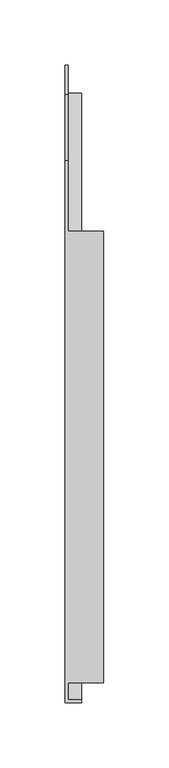
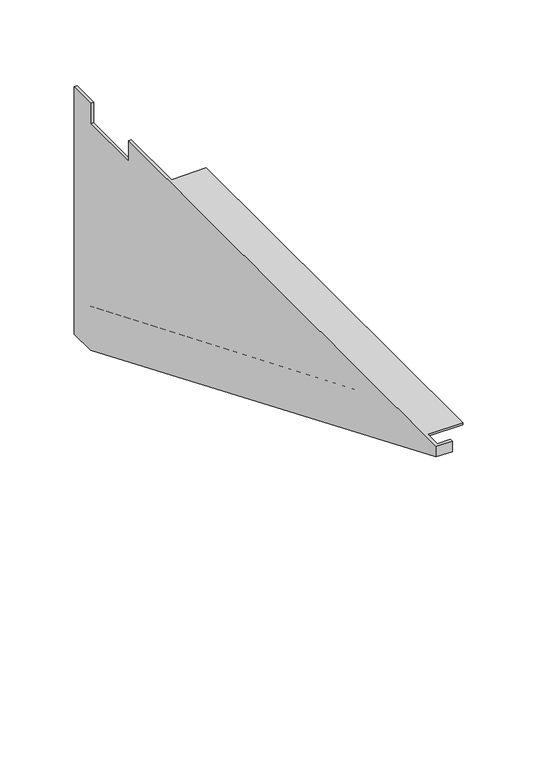
"""IFC4 building model written with IfcOpenShell, lengths in millimetres: furniture geometry."""

from ifc_helpers import new_model, si_unit, origin, place, context, project, spatial, faceted_brep, source, transform, mapped, element, save


def furniture_b63916a6(model_context):
    return source(origin(), model_context, "Body", "Brep", [
        faceted_brep([(23.1139999, 211.9808613, 693.7248), (-4.07162, 211.9808613, 693.7248), (-4.07162, 265.9558598, 693.7248), (-6.3539688, 265.9558598, 693.7248), (-6.3539688, -148.4807006, 693.7248), (6.3460312, -148.4807006, 693.7248), (6.3460312, -146.2023206, 693.7248), (-4.07162, -146.2023206, 693.7248), (-4.07162, -133.4589776, 693.7248), (23.1139999, -133.4589776, 693.7248), (23.1139999, -133.4589776, 692.2008015), (-4.07162, -133.4589776, 692.2008015), (-4.07162, 211.9808613, 692.2008015), (23.1139999, 211.9808613, 692.2008015), (-6.35, 265.9558598, 676.7583937), (-6.35, 316.7558601, 676.7583937), (-6.35, 316.7558601, 693.7248), (-6.35, 338.9808594, 693.7248), (-6.35, 338.9808594, 490.5248), (-6.35, 316.7558601, 490.5248), (-6.35, -148.4807006, 685.1336238), (-4.07162, -146.2023206, 686.650255), (-4.07162, 317.635086, 492.6266985), (-4.07162, 316.7558601, 490.5248), (-4.07162, 338.9808594, 490.5248), (-4.07162, 338.9808594, 693.7248), (-4.07162, 316.7558601, 693.7248), (-4.07162, 316.7558601, 676.7583937), (-4.07162, 265.9558598, 676.7583937), (6.3460312, -146.2023206, 686.650255), (6.3460312, 317.635086, 492.6266985), (6.3460312, -148.4807006, 685.1336238), (6.3460312, 316.7558601, 490.5248)], [[[0, 1, 2, 3, 4, 5, 6, 7, 8, 9]], [[10, 11, 12, 13]], [[13, 12, 1, 0]], [[9, 10, 13, 0]], [[9, 8, 11, 10]], [[3, 14, 15, 16, 17, 18, 19, 20, 4]], [[2, 1, 12, 11, 8, 7, 21, 22, 23, 24, 25, 26, 27, 28]], [[28, 14, 3, 2]], [[27, 15, 14, 28]], [[26, 16, 15, 27]], [[25, 17, 16, 26]], [[24, 18, 17, 25]], [[23, 19, 18, 24]], [[29, 30, 22, 21]], [[6, 29, 21, 7]], [[31, 20, 19, 23, 32]], [[4, 20, 31, 5]], [[23, 22, 30, 32]], [[5, 31, 32, 30, 29, 6]]]),
        faceted_brep([(-4.07162, 265.9558598, 693.7248), (-4.07162, 211.9808613, 693.7248), (-4.07162, 211.9808613, 692.2008015), (-4.07162, -133.4589776, 692.2008015), (-4.07162, -133.4589776, 693.7248), (-4.07162, -146.2023206, 693.7248), (-4.07162, -146.2023206, 686.650255), (-4.07162, 317.635086, 492.6266985), (-4.07162, 316.7558601, 490.5248), (-4.07162, 338.9808594, 490.5248), (-4.07162, 338.9808594, 693.7248), (-4.07162, 316.7558601, 693.7248), (-4.07162, 316.7558601, 676.7583937), (-4.07162, 265.9558598, 676.7583937), (-4.07162, 316.7558601, 539.2373491), (-4.07162, 316.7558601, 527.0453491), (-4.07162, -44.782029, 676.7583937), (-4.07162, -16.6213816, 676.7583937), (-4.07162, 316.7558601, 577.3400317), (-4.07162, 316.7558601, 565.1480317), (-4.07162, 51.0942056, 676.7583937), (-4.07162, 79.254853, 676.7583937), (-4.07162, 316.7558601, 615.4427143), (-4.07162, 316.7558601, 603.2507143), (-4.07162, 146.9704402, 676.7583937), (-4.07162, 175.1310876, 676.7583937), (-6.3539688, -148.4807006, 693.7248), (-6.3539688, 265.9558598, 693.7248), (-6.3539688, 265.9558598, 676.7583937), (-6.3539688, 316.7558601, 676.7583937), (-6.3539688, 316.7558601, 693.7248), (-6.3539688, 338.9808594, 693.7248), (-6.3539688, 338.9808594, 490.5248), (-6.3539688, 316.7558601, 490.5248), (-6.3539688, -148.4807006, 685.1336238), (-6.3539688, -16.6213816, 676.7583937), (-6.3539688, -44.782029, 676.7583937), (-6.3539688, 316.7558601, 527.0453491), (-6.3539688, 316.7558601, 539.2373491), (-6.3539688, 79.254853, 676.7583937), (-6.3539688, 51.0942056, 676.7583937), (-6.3539688, 316.7558601, 565.1480317), (-6.3539688, 316.7558601, 577.3400317), (-6.3539688, 175.1310876, 676.7583937), (-6.3539688, 146.9704402, 676.7583937), (-6.3539688, 316.7558601, 603.2507143), (-6.3539688, 316.7558601, 615.4427143), (6.3460312, 316.7558601, 490.5248), (6.3460312, -148.4807006, 685.1336238), (6.3460312, -148.4807006, 693.7248), (6.3460312, -146.2023206, 693.7248), (23.1139999, -133.4589776, 693.7248), (23.1139999, 211.9808613, 693.7248), (23.1139999, -133.4589776, 692.2008015), (23.1139999, 211.9808613, 692.2008015), (6.3460312, -146.2023206, 686.650255), (6.3460312, 317.635086, 492.6266985), (-4.86537, -16.6213816, 676.7583937), (-4.86537, -44.782029, 676.7583937), (-4.86537, 316.7558601, 527.0453491), (-4.86537, 316.7558601, 539.2373491), (-4.86537, 79.254853, 676.7583937), (-4.86537, 51.0942056, 676.7583937), (-4.86537, 316.7558601, 565.1480317), (-4.86537, 316.7558601, 577.3400317), (-4.86537, 175.1310876, 676.7583937), (-4.86537, 146.9704402, 676.7583937), (-4.86537, 316.7558601, 603.2507143), (-4.86537, 316.7558601, 615.4427143), (-5.55625, -16.6213816, 676.7583937), (-5.55625, 316.7558601, 539.2373491), (-5.55625, 316.7558601, 527.0453491), (-5.55625, -44.782029, 676.7583937), (-5.55625, 79.254853, 676.7583937), (-5.55625, 316.7558601, 577.3400317), (-5.55625, 316.7558601, 565.1480317), (-5.55625, 51.0942056, 676.7583937), (-5.55625, 175.1310876, 676.7583937), (-5.55625, 316.7558601, 615.4427143), (-5.55625, 316.7558601, 603.2507143), (-5.55625, 146.9704402, 676.7583937)], [[[0, 1, 2, 3, 4, 5, 6, 7, 8, 9, 10, 11, 12, 13], [14, 15, 16, 17], [18, 19, 20, 21], [22, 23, 24, 25]], [[26, 27, 28, 29, 30, 31, 32, 33, 34], [35, 36, 37, 38], [39, 40, 41, 42], [43, 44, 45, 46]], [[13, 28, 27, 0]], [[12, 29, 28, 13]], [[11, 30, 29, 12]], [[10, 31, 30, 11]], [[9, 32, 31, 10]], [[8, 33, 32, 9]], [[33, 8, 47, 48, 34]], [[27, 26, 49, 50, 5, 4, 51, 52, 1, 0]], [[53, 3, 2, 54]], [[54, 2, 1, 52]], [[54, 52, 51, 53]], [[51, 4, 3, 53]], [[34, 48, 49, 26]], [[55, 56, 7, 6]], [[50, 55, 6, 5]], [[57, 58, 59, 60]], [[61, 62, 63, 64]], [[65, 66, 67, 68]], [[60, 14, 17, 57]], [[59, 15, 14, 60]], [[58, 16, 15, 59]], [[57, 17, 16, 58]], [[64, 18, 21, 61]], [[63, 19, 18, 64]], [[62, 20, 19, 63]], [[61, 21, 20, 62]], [[68, 22, 25, 65]], [[67, 23, 22, 68]], [[66, 24, 23, 67]], [[65, 25, 24, 66]], [[69, 70, 71, 72]], [[73, 74, 75, 76]], [[77, 78, 79, 80]], [[69, 35, 38, 70]], [[70, 38, 37, 71]], [[71, 37, 36, 72]], [[72, 36, 35, 69]], [[73, 39, 42, 74]], [[74, 42, 41, 75]], [[75, 41, 40, 76]], [[76, 40, 39, 73]], [[77, 43, 46, 78]], [[78, 46, 45, 79]], [[79, 45, 44, 80]], [[80, 44, 43, 77]], [[8, 7, 56, 47]], [[49, 48, 47, 56, 55, 50]]]),
    ])


if __name__ == "__main__":
    model = new_model("IFC4")
    model_context = context("Model", 3, world=origin())
    ifc_project = project(units=[si_unit("LENGTHUNIT", "METRE", prefix="MILLI")], contexts=[model_context])
    site = spatial("IfcSite", under=ifc_project)
    building = spatial("IfcBuilding", under=site)
    placement = place(None, origin())
    furniture_shape = furniture_b63916a6(model_context)
    element("IfcFurniture", 1, at=placement, inside=building, context=model_context, shape_type="MappedRepresentation", body=[
        mapped(furniture_shape, transform((0.0, 0.0, 0.0), x_axis=(1.0, 0.0, 0.0), y_axis=(0.0, 1.0, 0.0), z_axis=(0.0, 0.0, 1.0))),
    ])
    save(model, "model.ifc")
